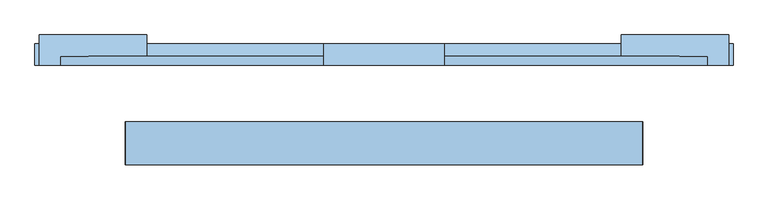
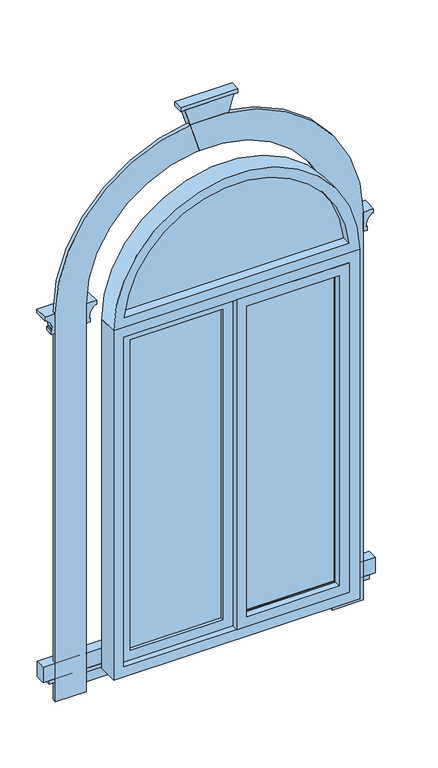
"""IFC4 building model written with IfcOpenShell, lengths in millimetres: window geometry."""

from ifc_helpers import new_model, si_unit, point, frame, frame_2d, origin, place, context, project, spatial, polyline, circle_curve, ellipse_curve, trimmed, segment, composite_curve, outline, extrude, faceted_brep, source, transform, mapped, element, save
from ifc_brep_helpers import plane_surface, revolved_surface, advanced_brep


def window_9b483368(model_context):
    return source(origin(), model_context, "Body", "SolidModel", [
        extrude(outline(composite_curve([segment(polyline([(2650.0, -547.7225575), (2650.0, 547.7225575)]), True, "CONTINUOUS"), segment(trimmed(circle_curve(frame_2d((2600.0, 0.0)), 550.0), [point((2650.0, 547.7225575))], [point((2650.0, -547.7225575))], False, "CARTESIAN"), True, "CONTINUOUS")], self_intersect=False)), frame((0.0, -4.0, 0.0), z_axis=(0.0, 1.0, 0.0), x_axis=(0.0, 0.0, 1.0)), (0.0, 0.0, 1.0), 4.0),
        extrude(outline(polyline([(500.0, -4.0), (50.0, -4.0), (50.0, 0.0), (500.0, 0.0), (500.0, -4.0)])), frame((0.0, 0.0, 900.0), z_axis=(0.0, 0.0, 1.0), x_axis=(1.0, 0.0, 0.0)), (0.0, 0.0, 1.0), 1600.0),
        extrude(outline(polyline([(-50.0, -4.0), (-500.0, -4.0), (-500.0, 0.0), (-50.0, 0.0), (-50.0, -4.0)])), frame((0.0, 0.0, 900.0), z_axis=(0.0, 0.0, 1.0), x_axis=(1.0, 0.0, 0.0)), (0.0, 0.0, 1.0), 1600.0),
        extrude(outline(composite_curve([segment(polyline([(600.0, 600.0), (600.0, 750.0), (2600.0, 750.0)]), True, "CONTINUOUS"), segment(trimmed(circle_curve(frame_2d((2600.0, 0.0)), 750.0), [point((2600.0, 750.0))], [point((2600.0, -750.0))], False, "CARTESIAN"), True, "CONTINUOUS"), segment(polyline([(2600.0, -750.0), (600.0, -750.0), (600.0, -600.0), (2600.0, -600.0)]), True, "CONTINUOUS"), segment(trimmed(circle_curve(frame_2d((2600.0, 0.0)), 600.0), [point((2600.0, -600.0))], [point((2600.0, 600.0))], True, "CARTESIAN"), True, "CONTINUOUS"), segment(polyline([(2600.0, 600.0), (600.0, 600.0)]), True, "CONTINUOUS")], self_intersect=False)), frame((0.0, 181.0, 0.0), z_axis=(0.0, 1.0, 0.0), x_axis=(0.0, 0.0, 1.0)), (0.0, 0.0, 1.0), 20.0),
        extrude(outline(polyline([(850.0, -550.0), (850.0, 0.0), (2550.0, 0.0), (2550.0, -550.0), (850.0, -550.0)]), holes=[polyline([(2500.0, -500.0), (2500.0, -50.0), (900.0, -50.0), (900.0, -500.0), (2500.0, -500.0)])]), frame((0.0, -19.0, 0.0), z_axis=(0.0, 1.0, 0.0), x_axis=(0.0, 0.0, 1.0)), (0.0, 0.0, 1.0), 69.0),
        extrude(outline(polyline([(850.0, 0.0), (850.0, 550.0), (2550.0, 550.0), (2550.0, 0.0), (850.0, 0.0)]), holes=[polyline([(2500.0, 50.0), (2500.0, 500.0), (900.0, 500.0), (900.0, 50.0), (2500.0, 50.0)])]), frame((0.0, -50.0, 0.0), z_axis=(0.0, 1.0, 0.0), x_axis=(0.0, 0.0, 1.0)), (0.0, 0.0, 1.0), 31.0),
        extrude(outline(polyline([(800.0, 600.0), (2600.0, 600.0), (2600.0, -600.0), (800.0, -600.0), (800.0, 600.0)]), holes=[polyline([(850.0, -550.0), (2550.0, -550.0), (2550.0, 550.0), (850.0, 550.0), (850.0, -550.0)])]), frame((0.0, -50.0, 0.0), z_axis=(0.0, 1.0, 0.0), x_axis=(0.0, 0.0, 1.0)), (0.0, 0.0, 1.0), 100.0),
        faceted_brep([(120.0, 181.0, 3430.0), (120.0, 226.0, 3430.0), (-120.0, 226.0, 3430.0), (-120.0, 181.0, 3430.0), (50.0, 181.0, 3200.0), (-50.0, 181.0, 3200.0), (-50.0, 221.0, 3200.0), (50.0, 221.0, 3200.0)], [[[0, 1, 2, 3]], [[4, 5, 6, 7]], [[4, 7, 1, 0]], [[7, 6, 2, 1]], [[6, 5, 3, 2]], [[5, 4, 0, 3]]]),
        extrude(outline(polyline([(140.0, 181.0), (-140.0, 181.0), (-140.0, 231.0), (140.0, 231.0), (140.0, 181.0)])), frame((0.0, 0.0, 3430.0), z_axis=(0.0, 0.0, 1.0), x_axis=(1.0, 0.0, 0.0)), (0.0, 0.0, 1.0), 20.0),
        advanced_brep(
        [(800.0, 181.0, 2600.0), (750.0, 181.0, 2600.0), (750.0, 181.0, 2500.0), (770.0, 181.0, 2500.0), (770.0, 181.0, 2520.0), (765.0, 181.0, 2520.0), (765.0, 181.0, 2525.0), (795.0, 181.0, 2580.0), (800.0, 181.0, 2580.0), (800.0, 251.0, 2600.0), (550.0, 251.0, 2600.0), (550.0, 181.0, 2600.0), (600.0, 181.0, 2600.0), (600.0, 201.0, 2600.0), (750.0, 201.0, 2600.0), (750.0, 201.0, 2500.0), (600.0, 201.0, 2500.0), (600.0, 181.0, 2500.0), (580.0, 181.0, 2500.0), (580.0, 221.0, 2500.0), (770.0, 221.0, 2500.0), (770.0, 221.0, 2520.0), (580.0, 221.0, 2520.0), (580.0, 181.0, 2520.0), (585.0, 181.0, 2520.0), (585.0, 216.0, 2520.0), (765.0, 216.0, 2520.0), (765.0, 216.0, 2525.0), (795.0, 246.0, 2580.0), (555.0, 246.0, 2580.0), (555.0, 181.0, 2580.0), (550.0, 181.0, 2580.0), (550.0, 251.0, 2580.0), (800.0, 251.0, 2580.0), (585.0, 216.0, 2525.0), (585.0, 181.0, 2525.0)],
        [
            (0, 1),
            (1, 2),
            (2, 3),
            (3, 4),
            (4, 5),
            (5, 6),
            (6, 7, circle_curve(frame((830.4166667, 181.0, 2525.0), z_axis=(0.0, 1.0, 0.0), x_axis=(-1.0, 0.0, 0.0)), 65.4166667)),
            (7, 8),
            (8, 0),
            (0, 9),
            (9, 10),
            (10, 11),
            (11, 12),
            (12, 13),
            (13, 14),
            (14, 1),
            (14, 15),
            (15, 2),
            (15, 16),
            (16, 17),
            (17, 18),
            (18, 19),
            (19, 20),
            (20, 3),
            (20, 21),
            (21, 4),
            (21, 22),
            (22, 23),
            (23, 24),
            (24, 25),
            (25, 26),
            (26, 5),
            (26, 27),
            (27, 6),
            (27, 28, ellipse_curve(frame((830.4166667, 281.4166667, 2525.0), z_axis=(-0.7071067811865475, 0.7071067811865475, 0.0), x_axis=(0.7071067811865474, 0.7071067811865476, 0.0)), 92.5131372, 65.4166667)),
            (28, 7),
            (28, 29),
            (29, 30),
            (30, 31),
            (31, 32),
            (32, 33),
            (33, 8),
            (33, 9),
            (13, 16),
            (19, 22),
            (25, 34),
            (34, 27),
            (34, 29, ellipse_curve(frame((519.5833333, 281.4166667, 2525.0), z_axis=(-0.7071067811865475, -0.7071067811865475, 0.0), x_axis=(-0.7071067811865476, 0.7071067811865474, 0.0)), 92.5131372, 65.4166667)),
            (32, 10),
            (11, 31),
            (30, 35, circle_curve(frame((519.5833333, 181.0, 2525.0), z_axis=(0.0, 1.0, 0.0), x_axis=(1.0, 0.0, 0.0)), 65.4166667)),
            (35, 24),
            (23, 18),
            (17, 12),
            (35, 34),
        ],
        [
            plane_surface(frame((750.0, 181.0, 0.0), z_axis=(0.0, -1.0, 0.0), x_axis=(0.0, 0.0, 1.0))),
            plane_surface(frame((800.0, 181.0, 2600.0), z_axis=(0.0, 0.0, 1.0), x_axis=(0.0, 1.0, 0.0))),
            plane_surface(frame((750.0, 181.0, 2600.0), z_axis=(-1.0, 0.0, 0.0), x_axis=(0.0, 1.0, 0.0))),
            plane_surface(frame((750.0, 181.0, 2500.0), z_axis=(0.0, 0.0, -1.0), x_axis=(0.0, 1.0, 0.0))),
            plane_surface(frame((770.0, 181.0, 2500.0), z_axis=(1.0, 0.0, 0.0), x_axis=(0.0, 1.0, 0.0))),
            plane_surface(frame((770.0, 181.0, 2520.0), z_axis=(0.0, 0.0, 1.0), x_axis=(0.0, 1.0, 0.0))),
            plane_surface(frame((765.0, 181.0, 2520.0), z_axis=(1.0, 0.0, 0.0), x_axis=(0.0, 1.0, 0.0))),
            revolved_surface(polyline([(765.0, 346.83333336296147, 2525.0), (765.0, 181.0, 2525.0)]), (830.4166667, 181.0, 2525.0), (0.0, 1.0, 0.0)),
            plane_surface(frame((795.0, 181.0, 2580.0), z_axis=(0.0, 0.0, -1.0), x_axis=(0.0, 1.0, 0.0))),
            plane_surface(frame((800.0, 181.0, 2580.0), z_axis=(1.0, 0.0, 0.0), x_axis=(0.0, 1.0, 0.0))),
            plane_surface(frame((750.0, 201.0, 2600.0), z_axis=(0.0, -1.0, 0.0), x_axis=(-1.0, 0.0, 0.0))),
            plane_surface(frame((770.0, 221.0, 2500.0), z_axis=(0.0, 1.0, 0.0), x_axis=(-1.0, 0.0, 0.0))),
            plane_surface(frame((765.0, 216.0, 2520.0), z_axis=(0.0, 1.0, 0.0), x_axis=(-1.0, 0.0, 0.0))),
            revolved_surface(polyline([(454.1666666370386, 216.0, 2525.0), (895.8333333629614, 216.0, 2525.0)]), (750.0, 281.4166667, 2525.0), (-1.0, 0.0, 0.0)),
            plane_surface(frame((800.0, 251.0, 2580.0), z_axis=(0.0, 1.0, 0.0), x_axis=(-1.0, 0.0, 0.0))),
            plane_surface(frame((600.0, 181.0, 0.0), z_axis=(0.0, -1.0, 0.0), x_axis=(0.0, 0.0, 1.0))),
            plane_surface(frame((600.0, 201.0, 2600.0), z_axis=(1.0, 0.0, 0.0), x_axis=(0.0, -1.0, 0.0))),
            plane_surface(frame((580.0, 221.0, 2500.0), z_axis=(-1.0, 0.0, 0.0), x_axis=(0.0, -1.0, 0.0))),
            plane_surface(frame((585.0, 216.0, 2520.0), z_axis=(-1.0, 0.0, 0.0), x_axis=(0.0, -1.0, 0.0))),
            revolved_surface(polyline([(585.0, 181.0, 2525.0), (585.0, 346.8333333629614, 2525.0)]), (519.5833333, 201.0, 2525.0), (0.0, -1.0, 0.0)),
            plane_surface(frame((550.0, 251.0, 2580.0), z_axis=(-1.0, 0.0, 0.0), x_axis=(0.0, -1.0, 0.0))),
        ],
        [
            (0, [[1, 2, 3, 4, 5, 6, 7, 8, 9]]),
            (1, [[-1, 10, 11, 12, 13, 14, 15, 16]]),
            (2, [[-2, -16, 17, 18]]),
            (3, [[-3, -18, 19, 20, 21, 22, 23, 24]]),
            (4, [[-4, -24, 25, 26]]),
            (5, [[-5, -26, 27, 28, 29, 30, 31, 32]]),
            (6, [[-6, -32, 33, 34]]),
            (7, [[-7, -34, 35, 36]]),
            (8, [[-8, -36, 37, 38, 39, 40, 41, 42]]),
            (9, [[-9, -42, 43, -10]]),
            (10, [[-17, -15, 44, -19]]),
            (11, [[-25, -23, 45, -27]]),
            (12, [[-33, -31, 46, 47]]),
            (13, [[-35, -47, 48, -37]]),
            (14, [[-43, -41, 49, -11]]),
            (15, [[50, -39, 51, 52, -29, 53, -21, 54, -13]]),
            (16, [[-44, -14, -54, -20]]),
            (17, [[-45, -22, -53, -28]]),
            (18, [[-46, -30, -52, 55]]),
            (19, [[-48, -55, -51, -38]]),
            (20, [[-49, -40, -50, -12]]),
        ],
    ),
        advanced_brep(
        [(-550.0, 181.0, 2600.0), (-600.0, 181.0, 2600.0), (-600.0, 181.0, 2500.0), (-580.0, 181.0, 2500.0), (-580.0, 181.0, 2520.0), (-585.0, 181.0, 2520.0), (-585.0, 181.0, 2525.0), (-555.0, 181.0, 2580.0), (-550.0, 181.0, 2580.0), (-550.0, 251.0, 2600.0), (-800.0, 251.0, 2600.0), (-800.0, 181.0, 2600.0), (-750.0, 181.0, 2600.0), (-750.0, 201.0, 2600.0), (-600.0, 201.0, 2600.0), (-600.0, 201.0, 2500.0), (-750.0, 201.0, 2500.0), (-750.0, 181.0, 2500.0), (-770.0, 181.0, 2500.0), (-770.0, 221.0, 2500.0), (-580.0, 221.0, 2500.0), (-580.0, 221.0, 2520.0), (-555.0, 246.0, 2580.0), (-795.0, 246.0, 2580.0), (-795.0, 181.0, 2580.0), (-800.0, 181.0, 2580.0), (-800.0, 251.0, 2580.0), (-550.0, 251.0, 2580.0), (-770.0, 221.0, 2520.0), (-765.0, 181.0, 2525.0), (-765.0, 181.0, 2520.0), (-770.0, 181.0, 2520.0), (-765.0, 216.0, 2520.0), (-585.0, 216.0, 2520.0), (-585.0, 216.0, 2525.0), (-765.0, 216.0, 2525.0)],
        [
            (0, 1),
            (1, 2),
            (2, 3),
            (3, 4),
            (4, 5),
            (5, 6),
            (6, 7, circle_curve(frame((-519.5833333, 181.0, 2525.0), z_axis=(0.0, 1.0, 0.0), x_axis=(-1.0, 0.0, 0.0)), 65.4166667)),
            (7, 8),
            (8, 0),
            (0, 9),
            (9, 10),
            (10, 11),
            (11, 12),
            (12, 13),
            (13, 14),
            (14, 1),
            (14, 15),
            (15, 2),
            (15, 16),
            (16, 17),
            (17, 18),
            (18, 19),
            (19, 20),
            (20, 3),
            (20, 21),
            (21, 4),
            (7, 22),
            (22, 23),
            (23, 24),
            (24, 25),
            (25, 26),
            (26, 27),
            (27, 8),
            (27, 9),
            (13, 16),
            (19, 28),
            (28, 21),
            (26, 10),
            (11, 25),
            (24, 29, circle_curve(frame((-830.4166667, 181.0, 2525.0), z_axis=(0.0, 1.0, 0.0), x_axis=(1.0, 0.0, 0.0)), 65.4166667)),
            (29, 30),
            (30, 31),
            (31, 18),
            (17, 12),
            (31, 28),
            (30, 32),
            (32, 33),
            (33, 5),
            (33, 34),
            (34, 6),
            (34, 22, ellipse_curve(frame((-519.5833333, 281.4166667, 2525.0), z_axis=(-0.7071067811865475, 0.7071067811865475, 0.0), x_axis=(0.7071067811865474, 0.7071067811865476, 0.0)), 92.5131372, 65.4166667)),
            (32, 35),
            (35, 34),
            (35, 23, ellipse_curve(frame((-830.4166667, 281.4166667, 2525.0), z_axis=(-0.7071067811865475, -0.7071067811865475, 0.0), x_axis=(-0.7071067811865476, 0.7071067811865474, 0.0)), 92.5131372, 65.4166667)),
            (29, 35),
        ],
        [
            plane_surface(frame((-600.0, 181.0, 0.0), z_axis=(0.0, -1.0, 0.0), x_axis=(0.0, 0.0, 1.0))),
            plane_surface(frame((-550.0, 181.0, 2600.0), z_axis=(0.0, 0.0, 1.0), x_axis=(0.0, 1.0, 0.0))),
            plane_surface(frame((-600.0, 181.0, 2600.0), z_axis=(-1.0, 0.0, 0.0), x_axis=(0.0, 1.0, 0.0))),
            plane_surface(frame((-600.0, 181.0, 2500.0), z_axis=(0.0, 0.0, -1.0), x_axis=(0.0, 1.0, 0.0))),
            plane_surface(frame((-580.0, 181.0, 2500.0), z_axis=(1.0, 0.0, 0.0), x_axis=(0.0, 1.0, 0.0))),
            plane_surface(frame((-555.0, 181.0, 2580.0), z_axis=(0.0, 0.0, -1.0), x_axis=(0.0, 1.0, 0.0))),
            plane_surface(frame((-550.0, 181.0, 2580.0), z_axis=(1.0, 0.0, 0.0), x_axis=(0.0, 1.0, 0.0))),
            plane_surface(frame((-600.0, 201.0, 2600.0), z_axis=(0.0, -1.0, 0.0), x_axis=(-1.0, 0.0, 0.0))),
            plane_surface(frame((-580.0, 221.0, 2500.0), z_axis=(0.0, 1.0, 0.0), x_axis=(-1.0, 0.0, 0.0))),
            plane_surface(frame((-550.0, 251.0, 2580.0), z_axis=(0.0, 1.0, 0.0), x_axis=(-1.0, 0.0, 0.0))),
            plane_surface(frame((-750.0, 181.0, 0.0), z_axis=(0.0, -1.0, 0.0), x_axis=(0.0, 0.0, 1.0))),
            plane_surface(frame((-750.0, 201.0, 2600.0), z_axis=(1.0, 0.0, 0.0), x_axis=(0.0, -1.0, 0.0))),
            plane_surface(frame((-770.0, 221.0, 2500.0), z_axis=(-1.0, 0.0, 0.0), x_axis=(0.0, -1.0, 0.0))),
            plane_surface(frame((-800.0, 251.0, 2580.0), z_axis=(-1.0, 0.0, 0.0), x_axis=(0.0, -1.0, 0.0))),
            plane_surface(frame((-580.0, 181.0, 2520.0), z_axis=(0.0, 0.0, 1.0), x_axis=(0.0, 1.0, 0.0))),
            plane_surface(frame((-585.0, 181.0, 2520.0), z_axis=(1.0, 0.0, 0.0), x_axis=(0.0, 1.0, 0.0))),
            revolved_surface(polyline([(-585.0, 346.83333336296147, 2525.0), (-585.0, 181.0, 2525.0)]), (-519.5833333, 181.0, 2525.0), (0.0, 1.0, 0.0)),
            plane_surface(frame((-585.0, 216.0, 2520.0), z_axis=(0.0, 1.0, 0.0), x_axis=(-1.0, 0.0, 0.0))),
            revolved_surface(polyline([(-895.8333333629614, 216.0, 2525.0), (-454.1666666370386, 216.0, 2525.0)]), (-600.0, 281.4166667, 2525.0), (-1.0, 0.0, 0.0)),
            plane_surface(frame((-765.0, 216.0, 2520.0), z_axis=(-1.0, 0.0, 0.0), x_axis=(0.0, -1.0, 0.0))),
            revolved_surface(polyline([(-765.0, 181.0, 2525.0), (-765.0, 346.8333333629614, 2525.0)]), (-830.4166667, 201.0, 2525.0), (0.0, -1.0, 0.0)),
        ],
        [
            (0, [[1, 2, 3, 4, 5, 6, 7, 8, 9]]),
            (1, [[-1, 10, 11, 12, 13, 14, 15, 16]]),
            (2, [[-2, -16, 17, 18]]),
            (3, [[-3, -18, 19, 20, 21, 22, 23, 24]]),
            (4, [[-4, -24, 25, 26]]),
            (5, [[-8, 27, 28, 29, 30, 31, 32, 33]]),
            (6, [[-9, -33, 34, -10]]),
            (7, [[-17, -15, 35, -19]]),
            (8, [[-25, -23, 36, 37]]),
            (9, [[-34, -32, 38, -11]]),
            (10, [[39, -30, 40, 41, 42, 43, -21, 44, -13]]),
            (11, [[-35, -14, -44, -20]]),
            (12, [[-36, -22, -43, 45]]),
            (13, [[-38, -31, -39, -12]]),
            (14, [[-5, -26, -37, -45, -42, 46, 47, 48]]),
            (15, [[-6, -48, 49, 50]]),
            (16, [[-7, -50, 51, -27]]),
            (17, [[-49, -47, 52, 53]]),
            (18, [[-51, -53, 54, -28]]),
            (19, [[-52, -46, -41, 55]]),
            (20, [[-54, -55, -40, -29]]),
        ],
    ),
        extrude(outline(polyline([(600.0, 181.0), (-600.0, 181.0), (-600.0, 221.0), (600.0, 221.0), (600.0, 181.0)])), frame((0.0, 0.0, 650.0), z_axis=(0.0, 0.0, 1.0), x_axis=(1.0, 0.0, 0.0)), (0.0, 0.0, 1.0), 50.0),
        extrude(outline(polyline([(780.0, 181.0), (-780.0, 181.0), (-780.0, 226.0), (780.0, 226.0), (780.0, 181.0)])), frame((0.0, 0.0, 700.0), z_axis=(0.0, 0.0, 1.0), x_axis=(1.0, 0.0, 0.0)), (0.0, 0.0, 1.0), 20.0),
        extrude(outline(polyline([(810.0, 181.0), (-810.0, 181.0), (-810.0, 231.0), (810.0, 231.0), (810.0, 181.0)])), frame((0.0, 0.0, 720.0), z_axis=(0.0, 0.0, 1.0), x_axis=(1.0, 0.0, 0.0)), (0.0, 0.0, 1.0), 80.0),
        extrude(outline(composite_curve([segment(trimmed(circle_curve(frame_2d((2600.0, 0.0)), 600.0), [point((2600.0, 600.0))], [point((2600.0, -600.0))], False, "CARTESIAN"), True, "CONTINUOUS"), segment(polyline([(2600.0, -600.0), (2600.0, 600.0)]), True, "CONTINUOUS")], self_intersect=False), holes=[composite_curve([segment(trimmed(circle_curve(frame_2d((2600.0, 0.0)), 550.0), [point((2650.0, -547.7225575))], [point((2650.0, 547.7225575))], True, "CARTESIAN"), True, "CONTINUOUS"), segment(polyline([(2650.0, 547.7225575), (2650.0, -547.7225575)]), True, "CONTINUOUS")], self_intersect=False)]), frame((0.0, -50.0, 0.0), z_axis=(0.0, 1.0, 0.0), x_axis=(0.0, 0.0, 1.0)), (0.0, 0.0, 1.0), 100.0),
    ])


if __name__ == "__main__":
    model = new_model("IFC4")
    model_context = context("Model", 3, world=origin())
    ifc_project = project(units=[si_unit("LENGTHUNIT", "METRE", prefix="MILLI")], contexts=[model_context])
    site = spatial("IfcSite", under=ifc_project)
    building = spatial("IfcBuilding", under=site)
    placement = place(None, origin())
    window_shape = window_9b483368(model_context)
    element("IfcWindow", 1, at=placement, inside=building, context=model_context, shape_type="MappedRepresentation", body=[
        mapped(window_shape, transform((0.0, 0.0, 0.0), x_axis=(1.0, 0.0, 0.0), y_axis=(0.0, 1.0, 0.0), z_axis=(0.0, 0.0, 1.0))),
    ])
    save(model, "model.ifc")
